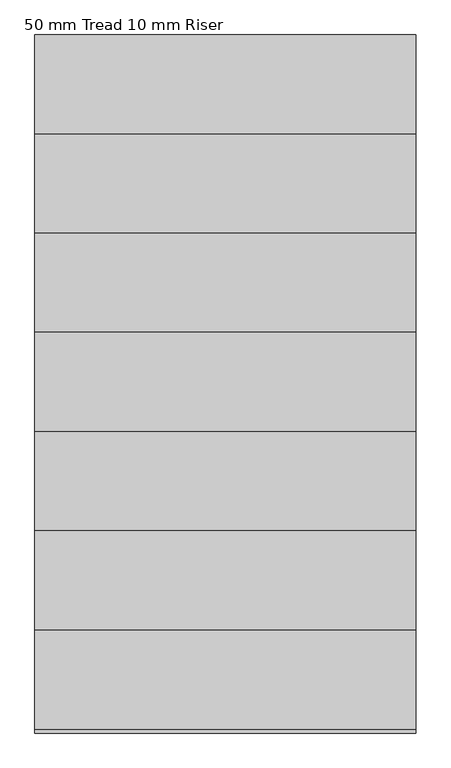
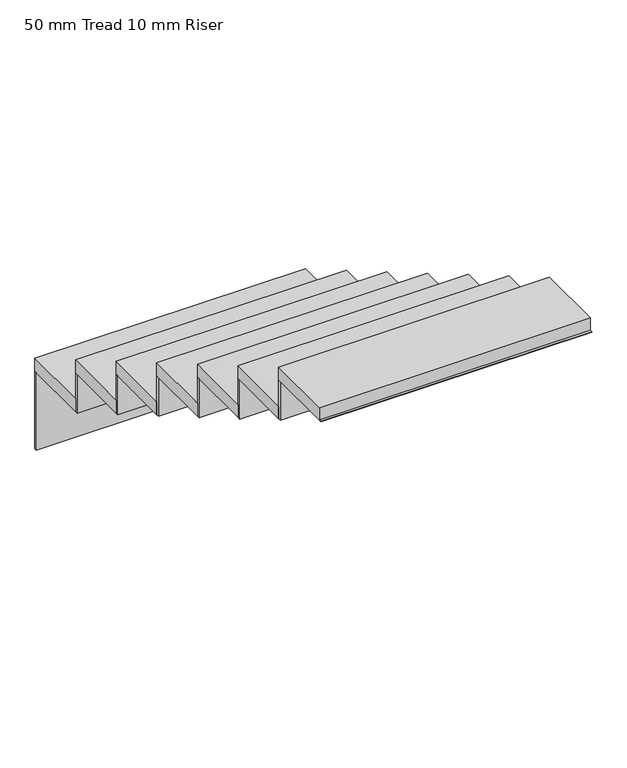
"""IFC4 building model written with IfcOpenShell, lengths in millimetres: stair flight geometry, 50 mm Tread 10 mm Riser."""

from ifc_helpers import new_model, si_unit, frame, origin, place, context, project, spatial, polyline, outline, extrude, source, transform, mapped, element, save


def stair_flight_50_mm_tread_10_mm_riser_afdfedd3(model_context):
    return source(origin(), model_context, "Body", "SweptSolid", [
        extrude(outline(polyline([(6455.1809005, 688.1591595), (5455.1809005, 688.1591595), (5455.1809005, 948.1591595), (6455.1809005, 948.1591595), (6455.1809005, 688.1591595)])), frame((0.0, 0.0, 1014.0), z_axis=(0.0, 0.0, 1.0), x_axis=(1.0, 0.0, 0.0)), (0.0, 0.0, 1.0), 50.0),
        extrude(outline(polyline([(5455.1809005, 938.1591595), (5455.1809005, 948.1591595), (6455.1809005, 948.1591595), (6455.1809005, 938.1591595), (5455.1809005, 938.1591595)])), frame((0.0, 0.0, 712.0), z_axis=(0.0, 0.0, 1.0), x_axis=(1.0, 0.0, 0.0)), (0.0, 0.0, 1.0), 302.0),
        extrude(outline(polyline([(6455.1809005, 428.1591595), (5455.1809005, 428.1591595), (5455.1809005, 688.1591595), (6455.1809005, 688.1591595), (6455.1809005, 428.1591595)])), frame((0.0, 0.0, 1166.0), z_axis=(0.0, 0.0, 1.0), x_axis=(1.0, 0.0, 0.0)), (0.0, 0.0, 1.0), 50.0),
        extrude(outline(polyline([(5455.1809005, 678.1591595), (5455.1809005, 688.1591595), (6455.1809005, 688.1591595), (6455.1809005, 678.1591595), (5455.1809005, 678.1591595)])), frame((0.0, 0.0, 1014.0), z_axis=(0.0, 0.0, 1.0), x_axis=(1.0, 0.0, 0.0)), (0.0, 0.0, 1.0), 152.0),
        extrude(outline(polyline([(6455.1809005, 168.1591595), (5455.1809005, 168.1591595), (5455.1809005, 428.1591595), (6455.1809005, 428.1591595), (6455.1809005, 168.1591595)])), frame((0.0, 0.0, 1318.0), z_axis=(0.0, 0.0, 1.0), x_axis=(1.0, 0.0, 0.0)), (0.0, 0.0, 1.0), 50.0),
        extrude(outline(polyline([(5455.1809005, 418.1591595), (5455.1809005, 428.1591595), (6455.1809005, 428.1591595), (6455.1809005, 418.1591595), (5455.1809005, 418.1591595)])), frame((0.0, 0.0, 1166.0), z_axis=(0.0, 0.0, 1.0), x_axis=(1.0, 0.0, 0.0)), (0.0, 0.0, 1.0), 152.0),
        extrude(outline(polyline([(6455.1809005, -91.8408405), (5455.1809005, -91.8408405), (5455.1809005, 168.1591595), (6455.1809005, 168.1591595), (6455.1809005, -91.8408405)])), frame((0.0, 0.0, 1470.0), z_axis=(0.0, 0.0, 1.0), x_axis=(1.0, 0.0, 0.0)), (0.0, 0.0, 1.0), 50.0),
        extrude(outline(polyline([(5455.1809005, 158.1591595), (5455.1809005, 168.1591595), (6455.1809005, 168.1591595), (6455.1809005, 158.1591595), (5455.1809005, 158.1591595)])), frame((0.0, 0.0, 1318.0), z_axis=(0.0, 0.0, 1.0), x_axis=(1.0, 0.0, 0.0)), (0.0, 0.0, 1.0), 152.0),
        extrude(outline(polyline([(6455.1809005, -351.8408405), (5455.1809005, -351.8408405), (5455.1809005, -91.8408405), (6455.1809005, -91.8408405), (6455.1809005, -351.8408405)])), frame((0.0, 0.0, 1622.0), z_axis=(0.0, 0.0, 1.0), x_axis=(1.0, 0.0, 0.0)), (0.0, 0.0, 1.0), 50.0),
        extrude(outline(polyline([(5455.1809005, -101.8408405), (5455.1809005, -91.8408405), (6455.1809005, -91.8408405), (6455.1809005, -101.8408405), (5455.1809005, -101.8408405)])), frame((0.0, 0.0, 1470.0), z_axis=(0.0, 0.0, 1.0), x_axis=(1.0, 0.0, 0.0)), (0.0, 0.0, 1.0), 152.0),
        extrude(outline(polyline([(6455.1809005, -611.8408405), (5455.1809005, -611.8408405), (5455.1809005, -351.8408405), (6455.1809005, -351.8408405), (6455.1809005, -611.8408405)])), frame((0.0, 0.0, 1774.0), z_axis=(0.0, 0.0, 1.0), x_axis=(1.0, 0.0, 0.0)), (0.0, 0.0, 1.0), 50.0),
        extrude(outline(polyline([(5455.1809005, -361.8408405), (5455.1809005, -351.8408405), (6455.1809005, -351.8408405), (6455.1809005, -361.8408405), (5455.1809005, -361.8408405)])), frame((0.0, 0.0, 1622.0), z_axis=(0.0, 0.0, 1.0), x_axis=(1.0, 0.0, 0.0)), (0.0, 0.0, 1.0), 152.0),
        extrude(outline(polyline([(6455.1809005, -871.8408405), (5455.1809005, -871.8408405), (5455.1809005, -611.8408405), (6455.1809005, -611.8408405), (6455.1809005, -871.8408405)])), frame((0.0, 0.0, 1926.0), z_axis=(0.0, 0.0, 1.0), x_axis=(1.0, 0.0, 0.0)), (0.0, 0.0, 1.0), 50.0),
        extrude(outline(polyline([(5455.1809005, -621.8408405), (5455.1809005, -611.8408405), (6455.1809005, -611.8408405), (6455.1809005, -621.8408405), (5455.1809005, -621.8408405)])), frame((0.0, 0.0, 1774.0), z_axis=(0.0, 0.0, 1.0), x_axis=(1.0, 0.0, 0.0)), (0.0, 0.0, 1.0), 152.0),
        extrude(outline(polyline([(5455.1809005, -881.8408405), (5455.1809005, -871.8408405), (6455.1809005, -871.8408405), (6455.1809005, -881.8408405), (5455.1809005, -881.8408405)])), frame((0.0, 0.0, 1926.0), z_axis=(0.0, 0.0, 1.0), x_axis=(1.0, 0.0, 0.0)), (0.0, 0.0, 1.0), 2.0),
    ])


if __name__ == "__main__":
    model = new_model("IFC4")
    model_context = context("Model", 3, world=origin())
    ifc_project = project(units=[si_unit("LENGTHUNIT", "METRE", prefix="MILLI")], contexts=[model_context])
    site = spatial("IfcSite", under=ifc_project)
    building = spatial("IfcBuilding", under=site)
    placement = place(None, origin())
    stair_flight_50_mm_tread_10_mm_riser_shape = stair_flight_50_mm_tread_10_mm_riser_afdfedd3(model_context)
    element("IfcStairFlight", 1, ObjectType="50 mm Tread 10 mm Riser", at=placement, inside=building, context=model_context, shape_type="MappedRepresentation", body=[
        mapped(stair_flight_50_mm_tread_10_mm_riser_shape, transform((0.0, 0.0, 0.0), x_axis=(1.0, 0.0, 0.0), y_axis=(0.0, 1.0, 0.0), z_axis=(0.0, 0.0, 1.0))),
    ])
    save(model, "model.ifc")
